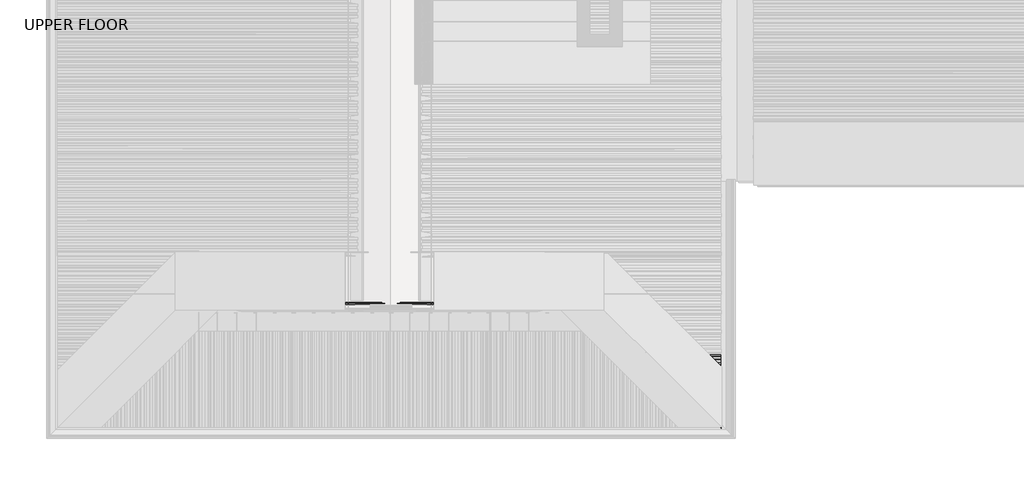
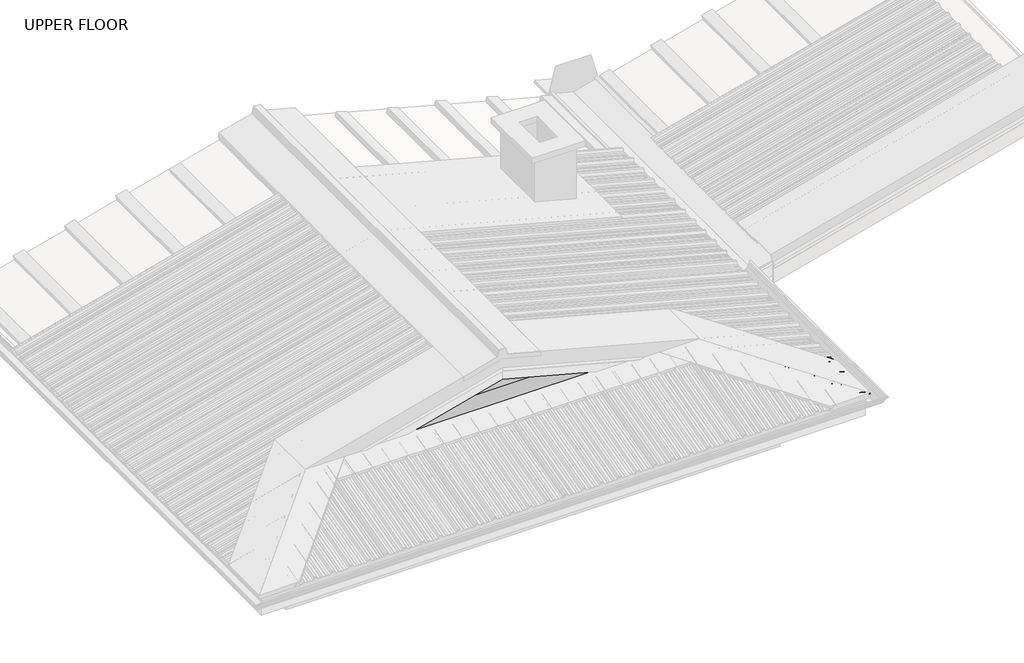
# One storey, part 10 of 21: 3 beams.
"""IFC4 building model written with IfcOpenShell, lengths in millimetres."""

from ifc_helpers import new_model, si_unit, frame, origin, place, context, project, spatial, circle_curve, ellipse_curve, faceted_brep, element, save
from ifc_brep_helpers import plane_surface, cylinder_surface, advanced_brep

model = new_model("IFC4")

# Units and contexts
model_context = context("Model", 3, world=origin())
ifc_project = project(units=[si_unit("LENGTHUNIT", "METRE", prefix="MILLI")], contexts=[model_context])

# Site, building, storey
site = spatial("IfcSite", under=ifc_project)
building = spatial("IfcBuilding", under=site)
storey = spatial("IfcBuildingStorey", under=building, Name="UPPER FLOOR", Elevation=2700.0)

# Beams
placement = place(None, origin())
element("IfcBeam", 1, at=placement, inside=storey, context=model_context, shape_type="AdvancedBrep", body=[
    advanced_brep(
    [(4584.6645529, -4106.1714421, 3273.3606404), (4584.6645529, -4084.2252574, 3273.3606404), (4589.5821147, -4073.3559682, 3291.7132311), (4589.5821147, -4056.6760982, 3291.7132311), (4586.0973215, -4048.9916547, 3278.7078058), (4586.2165568, -4048.184463, 3279.1527977), (4589.8409338, -4056.1767078, 3292.679157), (4589.8409338, -4073.8553585, 3292.679157), (4584.9233719, -4084.7246477, 3274.3265663), (4584.9233719, -4105.9418822, 3274.3265663), (4585.44101, -4110.0684842, 3276.2584179), (4585.44101, -4128.1868745, 3276.2584179), (4584.9233719, -4131.4510385, 3274.3265663), (4584.9233719, -4153.156721, 3274.3265663), (4585.44101, -4156.1981795, 3276.2584179), (4585.44101, -4172.4624649, 3276.2584179), (4584.9233719, -4175.5061068, 3274.3265663), (4584.9233719, -4195.0300038, 3274.3265663), (4590.3585719, -4207.0153597, 3294.6110086), (4590.3585719, -4227.0153597, 3294.6110086), (4584.9233719, -4239.0287846, 3274.3265663), (4584.9233719, -4257.9418822, 3274.3265663), (4585.44101, -4262.0684842, 3276.2584179), (4585.44101, -4280.1868745, 3276.2584179), (4584.9233719, -4283.4510385, 3274.3265663), (4584.9233719, -4305.156721, 3274.3265663), (4585.44101, -4308.1981795, 3276.2584179), (4585.44101, -4324.4624649, 3276.2584179), (4584.9233719, -4327.5061068, 3274.3265663), (4584.9233719, -4347.0300038, 3274.3265663), (4590.3585719, -4359.0153597, 3294.6110086), (4590.3585719, -4379.0153597, 3294.6110086), (4584.9233719, -4391.0287846, 3274.3265663), (4584.9233719, -4409.9418822, 3274.3265663), (4585.44101, -4414.0684842, 3276.2584179), (4585.44101, -4432.1868745, 3276.2584179), (4584.9233719, -4435.4510385, 3274.3265663), (4584.9233719, -4457.156721, 3274.3265663), (4585.44101, -4460.1981795, 3276.2584179), (4585.44101, -4476.4624649, 3276.2584179), (4584.9233719, -4479.5061068, 3274.3265663), (4584.9233719, -4499.0300038, 3274.3265663), (4590.3585719, -4511.0153597, 3294.6110086), (4590.3585719, -4531.0153597, 3294.6110086), (4584.9233719, -4543.0287846, 3274.3265663), (4584.9233719, -4561.9418822, 3274.3265663), (4585.44101, -4566.0684842, 3276.2584179), (4585.44101, -4584.1868745, 3276.2584179), (4584.9233719, -4587.4510385, 3274.3265663), (4584.9233719, -4609.156721, 3274.3265663), (4585.44101, -4612.1981795, 3276.2584179), (4585.44101, -4628.4624649, 3276.2584179), (4584.9233719, -4631.5061068, 3274.3265663), (4584.9233719, -4651.0300038, 3274.3265663), (4590.3585719, -4663.0153597, 3294.6110086), (4590.3585719, -4665.7351431, 3294.6110086), (4590.0997528, -4665.476324, 3293.6450828), (4590.0997528, -4663.5147501, 3293.6450828), (4584.6645529, -4651.5293942, 3273.3606404), (4584.6645529, -4631.2069557, 3273.3606404), (4585.182191, -4628.1633138, 3275.2924921), (4585.182191, -4612.49751, 3275.2924921), (4584.6645529, -4609.4560515, 3273.3606404), (4584.6645529, -4587.1690433, 3273.3606404), (4585.182191, -4583.9048793, 3275.2924921), (4585.182191, -4566.2980441, 3275.2924921), (4584.6645529, -4562.1714421, 3273.3606404), (4584.6645529, -4542.5293942, 3273.3606404), (4590.0997528, -4530.5159693, 3293.6450828), (4590.0997528, -4511.5147501, 3293.6450828), (4584.6645529, -4499.5293942, 3273.3606404), (4584.6645529, -4479.2069557, 3273.3606404), (4585.182191, -4476.1633138, 3275.2924921), (4585.182191, -4460.49751, 3275.2924921), (4584.6645529, -4457.4560515, 3273.3606404), (4584.6645529, -4435.1690433, 3273.3606404), (4585.182191, -4431.9048793, 3275.2924921), (4585.182191, -4414.2980441, 3275.2924921), (4584.6645529, -4410.1714421, 3273.3606404), (4584.6645529, -4390.5293942, 3273.3606404), (4590.0997528, -4378.5159693, 3293.6450828), (4590.0997528, -4359.5147501, 3293.6450828), (4584.6645529, -4347.5293942, 3273.3606404), (4584.6645529, -4327.2069557, 3273.3606404), (4585.182191, -4324.1633138, 3275.2924921), (4585.182191, -4308.49751, 3275.2924921), (4584.6645529, -4305.4560515, 3273.3606404), (4584.6645529, -4283.1690433, 3273.3606404), (4585.182191, -4279.9048793, 3275.2924921), (4585.182191, -4262.2980441, 3275.2924921), (4584.6645529, -4258.1714421, 3273.3606404), (4584.6645529, -4238.5293942, 3273.3606404), (4590.0997528, -4226.5159693, 3293.6450828), (4590.0997528, -4207.5147501, 3293.6450828), (4584.6645529, -4195.5293942, 3273.3606404), (4584.6645529, -4175.2069557, 3273.3606404), (4585.182191, -4172.1633138, 3275.2924921), (4585.182191, -4156.49751, 3275.2924921), (4584.6645529, -4153.4560515, 3273.3606404), (4584.6645529, -4131.1690433, 3273.3606404), (4585.182191, -4127.9048793, 3275.2924921), (4585.182191, -4110.2980441, 3275.2924921), (4052.5283081, -4127.9048793, 3418.0166699), (4034.9214729, -4110.2980441, 3422.7344071), (4055.7924721, -4131.1690433, 3415.0714874), (4078.0794803, -4153.4560515, 3409.0997015), (4081.1209388, -4156.49751, 3410.3552975), (4096.7867426, -4172.1633138, 3406.1576581), (4099.8303845, -4175.2069557, 3403.2715643), (4120.152823, -4195.5293942, 3397.8261833), (4132.1381788, -4207.5147501, 3416.3555167), (4151.1393981, -4226.5159693, 3411.2641553), (4163.152823, -4238.5293942, 3386.3043681), (4182.7948709, -4258.1714421, 3381.0412972), (4186.9214729, -4262.2980441, 3382.0061299), (4204.5283081, -4279.9048793, 3377.2883926), (4207.7924721, -4283.1690433, 3374.3432101), (4230.0794803, -4305.4560515, 3368.3714243), (4233.1209388, -4308.49751, 3369.6270203), (4248.7867426, -4324.1633138, 3365.4293808), (4251.8303845, -4327.2069557, 3362.5432871), (4272.152823, -4347.5293942, 3357.0979061), (4284.1381788, -4359.5147501, 3375.6272394), (4303.1393981, -4378.5159693, 3370.5358781), (4315.152823, -4390.5293942, 3345.5760908), (4334.7948709, -4410.1714421, 3340.3130199), (4338.9214729, -4414.2980441, 3341.2778526), (4356.5283081, -4431.9048793, 3336.5601154), (4359.7924721, -4435.1690433, 3333.6149329), (4382.0794803, -4457.4560515, 3327.643147), (4385.1209388, -4460.49751, 3328.898743), (4400.7867426, -4476.1633138, 3324.7011036), (4403.8303845, -4479.2069557, 3321.8150098), (4424.152823, -4499.5293942, 3316.3696288), (4436.1381788, -4511.5147501, 3334.8989622), (4455.1393981, -4530.5159693, 3329.8076008), (4467.152823, -4542.5293942, 3304.8478136), (4486.7948709, -4562.1714421, 3299.5847427), (4490.9214729, -4566.2980441, 3300.5495754), (4508.5283081, -4583.9048793, 3295.8318381), (4511.7924721, -4587.1690433, 3292.8866556), (4534.0794803, -4609.4560515, 3286.9148698), (4537.1209388, -4612.49751, 3288.1704658), (4552.7867426, -4628.1633138, 3283.9728263), (4555.8303845, -4631.2069557, 3281.0867326), (4576.152823, -4651.5293942, 3275.6413516), (4588.1381788, -4663.5147501, 3294.1706849), (4587.6387885, -4663.0153597, 3295.3397724), (4575.6534326, -4651.0300038, 3276.810439), (4556.1295355, -4631.5061068, 3282.0418515), (4553.0858937, -4628.4624649, 3284.9279452), (4536.8216083, -4612.1981795, 3289.2859473), (4533.7801498, -4609.156721, 3288.0303513), (4512.0744673, -4587.4510385, 3293.8463714), (4508.8103033, -4584.1868745, 3296.7915539), (4490.691913, -4566.0684842, 3301.6463619), (4486.565311, -4561.9418822, 3300.6815292), (4467.6522134, -4543.0287846, 3305.7492785), (4455.6387885, -4531.0153597, 3330.7090658), (4435.6387885, -4511.0153597, 3336.0680496), (4423.6534326, -4499.0300038, 3317.5387163), (4404.1295355, -4479.5061068, 3322.7701287), (4401.0858937, -4476.4624649, 3325.6562225), (4384.8216083, -4460.1981795, 3330.0142246), (4381.7801498, -4457.156721, 3328.7586286), (4360.0744673, -4435.4510385, 3334.5746487), (4356.8103033, -4432.1868745, 3337.5198311), (4338.691913, -4414.0684842, 3342.3746392), (4334.565311, -4409.9418822, 3341.4098065), (4315.6522134, -4391.0287846, 3346.4775557), (4303.6387885, -4379.0153597, 3371.437343), (4283.6387885, -4359.0153597, 3376.7963269), (4271.6534326, -4347.0300038, 3358.2669935), (4252.1295355, -4327.5061068, 3363.498406), (4249.0858937, -4324.4624649, 3366.3844997), (4232.8216083, -4308.1981795, 3370.7425018), (4229.7801498, -4305.156721, 3369.4869058), (4208.0744673, -4283.4510385, 3375.3029259), (4204.8103033, -4280.1868745, 3378.2481084), (4186.691913, -4262.0684842, 3383.1029164), (4182.565311, -4257.9418822, 3382.1380837), (4163.6522134, -4239.0287846, 3387.205833), (4151.6387885, -4227.0153597, 3412.1656203), (4131.6387885, -4207.0153597, 3417.5246041), (4119.6534326, -4195.0300038, 3398.9952708), (4100.1295355, -4175.5061068, 3404.2266832), (4030.7948709, -4106.1714421, 3421.7695744), (4097.0858937, -4172.4624649, 3407.112777), (4080.8216083, -4156.1981795, 3411.4707791), (4077.7801498, -4153.156721, 3410.2151831), (4056.0744673, -4131.4510385, 3416.0312032), (4052.8103033, -4128.1868745, 3418.9763856), (4034.691913, -4110.0684842, 3423.8311937), (4030.565311, -4105.9418822, 3422.866361), (4009.3480765, -4084.7246477, 3428.5515018), (3998.4787873, -4073.8553585, 3451.1341665), (3980.8001366, -4056.1767078, 3455.8711467), (3972.8078917, -4048.184463, 3443.5151541), (3973.6150835, -4048.9916547, 3442.8219268), (3981.299527, -4056.6760982, 3454.7020593), (3997.979397, -4073.3559682, 3450.2327016), (4008.8486861, -4084.2252574, 3427.6500369)],
    [
        (0, 1),
        (1, 2),
        (2, 3),
        (3, 4),
        (4, 5, circle_curve(frame((4586.1569391, -4048.5880588, 3278.9303017), z_axis=(0.9659258262890683, 0.0, -0.25881904510252085), x_axis=(0.0, -1.0, 0.0)), 0.4647024)),
        (5, 6),
        (6, 7),
        (7, 8),
        (8, 9),
        (9, 10),
        (10, 11),
        (11, 12),
        (12, 13),
        (13, 14),
        (14, 15),
        (15, 16),
        (16, 17),
        (17, 18),
        (18, 19),
        (19, 20),
        (20, 21),
        (21, 22),
        (22, 23),
        (23, 24),
        (24, 25),
        (25, 26),
        (26, 27),
        (27, 28),
        (28, 29),
        (29, 30),
        (30, 31),
        (31, 32),
        (32, 33),
        (33, 34),
        (34, 35),
        (35, 36),
        (36, 37),
        (37, 38),
        (38, 39),
        (39, 40),
        (40, 41),
        (41, 42),
        (42, 43),
        (43, 44),
        (44, 45),
        (45, 46),
        (46, 47),
        (47, 48),
        (48, 49),
        (49, 50),
        (50, 51),
        (51, 52),
        (52, 53),
        (53, 54),
        (54, 55),
        (55, 56),
        (56, 57),
        (57, 58),
        (58, 59),
        (59, 60),
        (60, 61),
        (61, 62),
        (62, 63),
        (63, 64),
        (64, 65),
        (65, 66),
        (66, 67),
        (67, 68),
        (68, 69),
        (69, 70),
        (70, 71),
        (71, 72),
        (72, 73),
        (73, 74),
        (74, 75),
        (75, 76),
        (76, 77),
        (77, 78),
        (78, 79),
        (79, 80),
        (80, 81),
        (81, 82),
        (82, 83),
        (83, 84),
        (84, 85),
        (85, 86),
        (86, 87),
        (87, 88),
        (88, 89),
        (89, 90),
        (90, 91),
        (91, 92),
        (92, 93),
        (93, 94),
        (94, 95),
        (95, 96),
        (96, 97),
        (97, 98),
        (98, 99),
        (99, 100),
        (100, 101),
        (101, 0),
        (100, 102),
        (102, 103),
        (103, 101),
        (99, 104),
        (104, 102),
        (98, 105),
        (105, 104),
        (97, 106),
        (106, 105),
        (96, 107),
        (107, 106),
        (95, 108),
        (108, 107),
        (94, 109),
        (109, 108),
        (93, 110),
        (110, 109),
        (92, 111),
        (111, 110),
        (91, 112),
        (112, 111),
        (90, 113),
        (113, 112),
        (89, 114),
        (114, 113),
        (88, 115),
        (115, 114),
        (87, 116),
        (116, 115),
        (86, 117),
        (117, 116),
        (85, 118),
        (118, 117),
        (84, 119),
        (119, 118),
        (83, 120),
        (120, 119),
        (82, 121),
        (121, 120),
        (81, 122),
        (122, 121),
        (80, 123),
        (123, 122),
        (79, 124),
        (124, 123),
        (78, 125),
        (125, 124),
        (77, 126),
        (126, 125),
        (76, 127),
        (127, 126),
        (75, 128),
        (128, 127),
        (74, 129),
        (129, 128),
        (73, 130),
        (130, 129),
        (72, 131),
        (131, 130),
        (71, 132),
        (132, 131),
        (70, 133),
        (133, 132),
        (69, 134),
        (134, 133),
        (68, 135),
        (135, 134),
        (67, 136),
        (136, 135),
        (66, 137),
        (137, 136),
        (65, 138),
        (138, 137),
        (64, 139),
        (139, 138),
        (63, 140),
        (140, 139),
        (62, 141),
        (141, 140),
        (61, 142),
        (142, 141),
        (60, 143),
        (143, 142),
        (59, 144),
        (144, 143),
        (58, 145),
        (145, 144),
        (57, 146),
        (146, 145),
        (56, 146),
        (54, 147),
        (147, 55),
        (53, 148),
        (148, 147),
        (52, 149),
        (149, 148),
        (51, 150),
        (150, 149),
        (50, 151),
        (151, 150),
        (49, 152),
        (152, 151),
        (48, 153),
        (153, 152),
        (47, 154),
        (154, 153),
        (46, 155),
        (155, 154),
        (45, 156),
        (156, 155),
        (44, 157),
        (157, 156),
        (43, 158),
        (158, 157),
        (42, 159),
        (159, 158),
        (41, 160),
        (160, 159),
        (40, 161),
        (161, 160),
        (39, 162),
        (162, 161),
        (38, 163),
        (163, 162),
        (37, 164),
        (164, 163),
        (36, 165),
        (165, 164),
        (35, 166),
        (166, 165),
        (34, 167),
        (167, 166),
        (33, 168),
        (168, 167),
        (32, 169),
        (169, 168),
        (31, 170),
        (170, 169),
        (30, 171),
        (171, 170),
        (29, 172),
        (172, 171),
        (28, 173),
        (173, 172),
        (27, 174),
        (174, 173),
        (26, 175),
        (175, 174),
        (25, 176),
        (176, 175),
        (24, 177),
        (177, 176),
        (23, 178),
        (178, 177),
        (22, 179),
        (179, 178),
        (21, 180),
        (180, 179),
        (20, 181),
        (181, 180),
        (19, 182),
        (182, 181),
        (18, 183),
        (183, 182),
        (17, 184),
        (184, 183),
        (16, 185),
        (185, 184),
        (103, 186),
        (186, 0),
        (15, 187),
        (187, 185),
        (14, 188),
        (188, 187),
        (13, 189),
        (189, 188),
        (12, 190),
        (190, 189),
        (11, 191),
        (191, 190),
        (10, 192),
        (192, 191),
        (9, 193),
        (193, 192),
        (8, 194),
        (194, 193),
        (7, 195),
        (195, 194),
        (6, 196),
        (196, 195),
        (5, 197),
        (197, 196),
        (4, 198),
        (198, 197, ellipse_curve(frame((3973.2114876, -4048.5880588, 3443.1685405), z_axis=(0.7071067811865475, 0.7071067811865476, 0.0), x_axis=(-0.661224832946645, 0.6612248329466449, 0.35434932000691455)), 0.6803715, 0.4647024)),
        (3, 199),
        (199, 198),
        (2, 200),
        (200, 199),
        (1, 201),
        (201, 200),
        (186, 201),
    ],
    [
        plane_surface(frame((4584.6645529, -4106.1714421, 3273.3606404), z_axis=(0.9659258262890684, 0.0, -0.25881904510252085), x_axis=(-0.11288039666962586, 0.8998805887467901, -0.42127537554957867))),
        plane_surface(frame((3488.7585312, -4110.2980441, 3569.0783263), z_axis=(-0.25881904510252085, 0.0, -0.9659258262890683), x_axis=(0.9659258262890683, 0.0, -0.25881904510252085))),
        plane_surface(frame((3488.7585312, -4127.9048793, 3569.0783263), z_axis=(-0.22068801492463014, 0.522444957349295, -0.8236188843202418), x_axis=(0.9659258262890683, 0.0, -0.25881904510252085))),
        plane_surface(frame((3488.2408931, -4131.1690433, 3567.1464746), z_axis=(-0.25881904510252085, 0.0, -0.9659258262890683), x_axis=(0.9659258262890683, 0.0, -0.25881904510252085))),
        plane_surface(frame((3488.2408931, -4153.4560515, 3567.1464746), z_axis=(-0.21625317242009615, -0.5494325148836763, -0.8070678267697475), x_axis=(0.9659258262890683, 0.0, -0.25881904510252085))),
        plane_surface(frame((3488.7585312, -4156.49751, 3569.0783263), z_axis=(-0.25881904510252085, 0.0, -0.9659258262890683), x_axis=(0.9659258262890683, 0.0, -0.25881904510252085))),
        plane_surface(frame((3488.7585312, -4172.1633138, 3569.0783263), z_axis=(-0.21630000128988583, 0.5491572662555962, -0.807242594491071), x_axis=(0.9659258262890683, 0.0, -0.25881904510252085))),
        plane_surface(frame((3488.2408931, -4175.2069557, 3567.1464746), z_axis=(-0.25881904510252085, 0.0, -0.9659258262890683), x_axis=(0.9659258262890683, 0.0, -0.25881904510252085))),
        plane_surface(frame((3488.2408931, -4195.5293942, 3567.1464746), z_axis=(-0.12829202185299518, -0.8685039140295312, -0.47879234376110846), x_axis=(0.9659258262890683, 0.0, -0.25881904510252085))),
        plane_surface(frame((3493.676093, -4207.5147501, 3587.430917), z_axis=(-0.25881904510252085, 0.0, -0.9659258262890683), x_axis=(0.9659258262890683, 0.0, -0.25881904510252085))),
        plane_surface(frame((3493.676093, -4226.5159693, 3587.430917), z_axis=(-0.12851845745027907, 0.868004008186007, -0.4796374129148262), x_axis=(0.9659258262890683, 0.0, -0.25881904510252085))),
        plane_surface(frame((3488.2408931, -4238.5293942, 3567.1464746), z_axis=(-0.25881904510252085, 0.0, -0.9659258262890683), x_axis=(0.9659258262890683, 0.0, -0.25881904510252085))),
        plane_surface(frame((3488.2408931, -4258.1714421, 3567.1464746), z_axis=(-0.23290623468573923, -0.4361363616997907, -0.8692179012467363), x_axis=(0.9659258262890683, 0.0, -0.25881904510252085))),
        plane_surface(frame((3488.7585312, -4262.2980441, 3569.0783263), z_axis=(-0.25881904510252085, 0.0, -0.9659258262890683), x_axis=(0.9659258262890683, 0.0, -0.25881904510252085))),
        plane_surface(frame((3488.7585312, -4279.9048793, 3569.0783263), z_axis=(-0.22068801492462953, 0.5224449573492989, -0.8236188843202394), x_axis=(0.9659258262890683, 0.0, -0.25881904510252085))),
        plane_surface(frame((3488.2408931, -4283.1690433, 3567.1464746), z_axis=(-0.25881904510252085, 0.0, -0.9659258262890683), x_axis=(0.9659258262890683, 0.0, -0.25881904510252085))),
        plane_surface(frame((3488.2408931, -4305.4560515, 3567.1464746), z_axis=(-0.2162531724200959, -0.5494325148836782, -0.8070678267697465), x_axis=(0.9659258262890683, 0.0, -0.25881904510252085))),
        plane_surface(frame((3488.7585312, -4308.49751, 3569.0783263), z_axis=(-0.25881904510252085, 0.0, -0.9659258262890683), x_axis=(0.9659258262890683, 0.0, -0.25881904510252085))),
        plane_surface(frame((3488.7585312, -4324.1633138, 3569.0783263), z_axis=(-0.21630000128988666, 0.5491572662555915, -0.8072425944910742), x_axis=(0.9659258262890683, 0.0, -0.25881904510252085))),
        plane_surface(frame((3488.2408931, -4327.2069557, 3567.1464746), z_axis=(-0.25881904510252085, 0.0, -0.9659258262890683), x_axis=(0.9659258262890683, 0.0, -0.25881904510252085))),
        plane_surface(frame((3488.2408931, -4347.5293942, 3567.1464746), z_axis=(-0.12829202185299543, -0.8685039140295306, -0.47879234376110946), x_axis=(0.9659258262890683, 0.0, -0.25881904510252085))),
        plane_surface(frame((3493.676093, -4359.5147501, 3587.430917), z_axis=(-0.25881904510252085, 0.0, -0.9659258262890683), x_axis=(0.9659258262890683, 0.0, -0.25881904510252085))),
        plane_surface(frame((3493.676093, -4378.5159693, 3587.430917), z_axis=(-0.1285184574502788, 0.8680040081860075, -0.47963741291482515), x_axis=(0.9659258262890683, 0.0, -0.25881904510252085))),
        plane_surface(frame((3488.2408931, -4390.5293942, 3567.1464746), z_axis=(-0.25881904510252085, 0.0, -0.9659258262890683), x_axis=(0.9659258262890683, 0.0, -0.25881904510252085))),
        plane_surface(frame((3488.2408931, -4410.1714421, 3567.1464746), z_axis=(-0.2329062346857396, -0.4361363616997879, -0.8692179012467376), x_axis=(0.9659258262890683, 0.0, -0.25881904510252085))),
        plane_surface(frame((3488.7585312, -4414.2980441, 3569.0783263), z_axis=(-0.25881904510252085, 0.0, -0.9659258262890683), x_axis=(0.9659258262890683, 0.0, -0.25881904510252085))),
        plane_surface(frame((3488.7585312, -4431.9048793, 3569.0783263), z_axis=(-0.22068801492462908, 0.5224449573493013, -0.8236188843202378), x_axis=(0.9659258262890683, 0.0, -0.25881904510252085))),
        plane_surface(frame((3488.2408931, -4435.1690433, 3567.1464746), z_axis=(-0.25881904510252085, 0.0, -0.9659258262890683), x_axis=(0.9659258262890683, 0.0, -0.25881904510252085))),
        plane_surface(frame((3488.2408931, -4457.4560515, 3567.1464746), z_axis=(-0.2162531724200988, -0.549432514883661, -0.8070678267697574), x_axis=(0.9659258262890683, 0.0, -0.25881904510252085))),
        plane_surface(frame((3488.7585312, -4460.49751, 3569.0783263), z_axis=(-0.25881904510252085, 0.0, -0.9659258262890683), x_axis=(0.9659258262890683, 0.0, -0.25881904510252085))),
        plane_surface(frame((3488.7585312, -4476.1633138, 3569.0783263), z_axis=(-0.21630000128988666, 0.5491572662555915, -0.8072425944910742), x_axis=(0.9659258262890683, 0.0, -0.25881904510252085))),
        plane_surface(frame((3488.2408931, -4479.2069557, 3567.1464746), z_axis=(-0.25881904510252085, 0.0, -0.9659258262890683), x_axis=(0.9659258262890683, 0.0, -0.25881904510252085))),
        plane_surface(frame((3488.2408931, -4499.5293942, 3567.1464746), z_axis=(-0.12829202185299515, -0.8685039140295312, -0.47879234376110846), x_axis=(0.9659258262890683, 0.0, -0.25881904510252085))),
        plane_surface(frame((3493.676093, -4511.5147501, 3587.430917), z_axis=(-0.25881904510252085, 0.0, -0.9659258262890683), x_axis=(0.9659258262890683, 0.0, -0.25881904510252085))),
        plane_surface(frame((3493.676093, -4530.5159693, 3587.430917), z_axis=(-0.1285184574502788, 0.8680040081860075, -0.47963741291482515), x_axis=(0.9659258262890683, 0.0, -0.25881904510252085))),
        plane_surface(frame((3488.2408931, -4542.5293942, 3567.1464746), z_axis=(-0.25881904510252085, 0.0, -0.9659258262890683), x_axis=(0.9659258262890683, 0.0, -0.25881904510252085))),
        plane_surface(frame((3488.2408931, -4562.1714421, 3567.1464746), z_axis=(-0.23290623468573923, -0.4361363616997907, -0.8692179012467363), x_axis=(0.9659258262890683, 0.0, -0.25881904510252085))),
        plane_surface(frame((3488.7585312, -4566.2980441, 3569.0783263), z_axis=(-0.25881904510252085, 0.0, -0.9659258262890683), x_axis=(0.9659258262890683, 0.0, -0.25881904510252085))),
        plane_surface(frame((3488.7585312, -4583.9048793, 3569.0783263), z_axis=(-0.22068801492462964, 0.5224449573492981, -0.8236188843202399), x_axis=(0.9659258262890683, 0.0, -0.25881904510252085))),
        plane_surface(frame((3488.2408931, -4587.1690433, 3567.1464746), z_axis=(-0.25881904510252085, 0.0, -0.9659258262890683), x_axis=(0.9659258262890683, 0.0, -0.25881904510252085))),
        plane_surface(frame((3488.2408931, -4609.4560515, 3567.1464746), z_axis=(-0.2162531724200959, -0.5494325148836782, -0.8070678267697465), x_axis=(0.9659258262890683, 0.0, -0.25881904510252085))),
        plane_surface(frame((3488.7585312, -4612.49751, 3569.0783263), z_axis=(-0.25881904510252085, 0.0, -0.9659258262890683), x_axis=(0.9659258262890683, 0.0, -0.25881904510252085))),
        plane_surface(frame((3488.7585312, -4628.1633138, 3569.0783263), z_axis=(-0.2163000012898869, 0.5491572662555896, -0.8072425944910752), x_axis=(0.9659258262890683, 0.0, -0.25881904510252085))),
        plane_surface(frame((3488.2408931, -4631.2069557, 3567.1464746), z_axis=(-0.25881904510252085, 0.0, -0.9659258262890683), x_axis=(0.9659258262890683, 0.0, -0.25881904510252085))),
        plane_surface(frame((3488.2408931, -4651.5293942, 3567.1464746), z_axis=(-0.12829202185299518, -0.8685039140295311, -0.47879234376110863), x_axis=(0.9659258262890683, 0.0, -0.25881904510252085))),
        plane_surface(frame((3493.676093, -4663.5147501, 3587.430917), z_axis=(-0.25881904510252085, 0.0, -0.9659258262890683), x_axis=(0.9659258262890683, 0.0, -0.25881904510252085))),
        plane_surface(frame((3493.9349121, -4683.0153597, 3588.3968428), z_axis=(0.25881904510252085, 0.0, 0.9659258262890683), x_axis=(0.9659258262890683, 0.0, -0.25881904510252085))),
        plane_surface(frame((3493.9349121, -4663.0153597, 3588.3968428), z_axis=(0.12829202185299524, 0.8685039140295311, 0.4787923437611088), x_axis=(0.9659258262890683, 0.0, -0.25881904510252085))),
        plane_surface(frame((3488.4997121, -4651.0300038, 3568.1124005), z_axis=(0.25881904510252085, 0.0, 0.9659258262890683), x_axis=(0.9659258262890683, 0.0, -0.25881904510252085))),
        plane_surface(frame((3488.4997121, -4631.5061068, 3568.1124005), z_axis=(0.2163000012898872, -0.5491572662555881, 0.8072425944910762), x_axis=(0.9659258262890683, 0.0, -0.25881904510252085))),
        plane_surface(frame((3489.0173502, -4628.4624649, 3570.0442521), z_axis=(0.25881904510252085, 0.0, 0.9659258262890683), x_axis=(0.9659258262890683, 0.0, -0.25881904510252085))),
        plane_surface(frame((3489.0173502, -4612.1981795, 3570.0442521), z_axis=(0.21625317242009645, 0.5494325148836748, 0.8070678267697486), x_axis=(0.9659258262890683, 0.0, -0.25881904510252085))),
        plane_surface(frame((3488.4997121, -4609.156721, 3568.1124005), z_axis=(0.25881904510252085, 0.0, 0.9659258262890683), x_axis=(0.9659258262890683, 0.0, -0.25881904510252085))),
        plane_surface(frame((3488.4997121, -4587.4510385, 3568.1124005), z_axis=(0.22068801492462892, -0.5224449573493026, 0.8236188843202372), x_axis=(0.9659258262890683, 0.0, -0.25881904510252085))),
        plane_surface(frame((3489.0173502, -4584.1868745, 3570.0442521), z_axis=(0.25881904510252085, 0.0, 0.9659258262890683), x_axis=(0.9659258262890683, 0.0, -0.25881904510252085))),
        plane_surface(frame((3489.0173502, -4566.0684842, 3570.0442521), z_axis=(0.23290623468574032, 0.4361363616997818, 0.8692179012467404), x_axis=(0.9659258262890683, 0.0, -0.25881904510252085))),
        plane_surface(frame((3488.4997121, -4561.9418822, 3568.1124005), z_axis=(0.25881904510252085, 0.0, 0.9659258262890683), x_axis=(0.9659258262890683, 0.0, -0.25881904510252085))),
        plane_surface(frame((3488.4997121, -4543.0287846, 3568.1124005), z_axis=(0.12851845745027932, -0.8680040081860063, 0.4796374129148272), x_axis=(0.9659258262890683, 0.0, -0.25881904510252085))),
        plane_surface(frame((3493.9349121, -4531.0153597, 3588.3968428), z_axis=(0.25881904510252085, 0.0, 0.9659258262890683), x_axis=(0.9659258262890683, 0.0, -0.25881904510252085))),
        plane_surface(frame((3493.9349121, -4511.0153597, 3588.3968428), z_axis=(0.12829202185299515, 0.8685039140295312, 0.47879234376110846), x_axis=(0.9659258262890683, 0.0, -0.25881904510252085))),
        plane_surface(frame((3488.4997121, -4499.0300038, 3568.1124005), z_axis=(0.25881904510252085, 0.0, 0.9659258262890683), x_axis=(0.9659258262890683, 0.0, -0.25881904510252085))),
        plane_surface(frame((3488.4997121, -4479.5061068, 3568.1124005), z_axis=(0.21630000128988666, -0.5491572662555915, 0.8072425944910742), x_axis=(0.9659258262890683, 0.0, -0.25881904510252085))),
        plane_surface(frame((3489.0173502, -4476.4624649, 3570.0442521), z_axis=(0.25881904510252085, 0.0, 0.9659258262890683), x_axis=(0.9659258262890683, 0.0, -0.25881904510252085))),
        plane_surface(frame((3489.0173502, -4460.1981795, 3570.0442521), z_axis=(0.2162531724200988, 0.549432514883661, 0.8070678267697574), x_axis=(0.9659258262890683, 0.0, -0.25881904510252085))),
        plane_surface(frame((3488.4997121, -4457.156721, 3568.1124005), z_axis=(0.25881904510252085, 0.0, 0.9659258262890683), x_axis=(0.9659258262890683, 0.0, -0.25881904510252085))),
        plane_surface(frame((3488.4997121, -4435.4510385, 3568.1124005), z_axis=(0.22068801492463014, -0.522444957349295, 0.8236188843202418), x_axis=(0.9659258262890683, 0.0, -0.25881904510252085))),
        plane_surface(frame((3489.0173502, -4432.1868745, 3570.0442521), z_axis=(0.25881904510252085, 0.0, 0.9659258262890683), x_axis=(0.9659258262890683, 0.0, -0.25881904510252085))),
        plane_surface(frame((3489.0173502, -4414.0684842, 3570.0442521), z_axis=(0.23290623468573995, 0.43613636169978487, 0.8692179012467389), x_axis=(0.9659258262890683, 0.0, -0.25881904510252085))),
        plane_surface(frame((3488.4997121, -4409.9418822, 3568.1124005), z_axis=(0.25881904510252085, 0.0, 0.9659258262890683), x_axis=(0.9659258262890683, 0.0, -0.25881904510252085))),
        plane_surface(frame((3488.4997121, -4391.0287846, 3568.1124005), z_axis=(0.12851845745027987, -0.8680040081860052, 0.47963741291482925), x_axis=(0.9659258262890683, 0.0, -0.25881904510252085))),
        plane_surface(frame((3493.9349121, -4379.0153597, 3588.3968428), z_axis=(0.25881904510252085, 0.0, 0.9659258262890683), x_axis=(0.9659258262890683, 0.0, -0.25881904510252085))),
        plane_surface(frame((3493.9349121, -4359.0153597, 3588.3968428), z_axis=(0.12829202185299524, 0.8685039140295311, 0.4787923437611088), x_axis=(0.9659258262890683, 0.0, -0.25881904510252085))),
        plane_surface(frame((3488.4997121, -4347.0300038, 3568.1124005), z_axis=(0.25881904510252085, 0.0, 0.9659258262890683), x_axis=(0.9659258262890683, 0.0, -0.25881904510252085))),
        plane_surface(frame((3488.4997121, -4327.5061068, 3568.1124005), z_axis=(0.2163000012898872, -0.5491572662555881, 0.8072425944910762), x_axis=(0.9659258262890683, 0.0, -0.25881904510252085))),
        plane_surface(frame((3489.0173502, -4324.4624649, 3570.0442521), z_axis=(0.25881904510252085, 0.0, 0.9659258262890683), x_axis=(0.9659258262890683, 0.0, -0.25881904510252085))),
        plane_surface(frame((3489.0173502, -4308.1981795, 3570.0442521), z_axis=(0.21625317242009717, 0.5494325148836704, 0.8070678267697513), x_axis=(0.9659258262890683, 0.0, -0.25881904510252085))),
        plane_surface(frame((3488.4997121, -4305.156721, 3568.1124005), z_axis=(0.25881904510252085, 0.0, 0.9659258262890683), x_axis=(0.9659258262890683, 0.0, -0.25881904510252085))),
        plane_surface(frame((3488.4997121, -4283.4510385, 3568.1124005), z_axis=(0.22068801492462828, -0.5224449573493066, 0.8236188843202348), x_axis=(0.9659258262890683, 0.0, -0.25881904510252085))),
        plane_surface(frame((3489.0173502, -4280.1868745, 3570.0442521), z_axis=(0.25881904510252085, 0.0, 0.9659258262890683), x_axis=(0.9659258262890683, 0.0, -0.25881904510252085))),
        plane_surface(frame((3489.0173502, -4262.0684842, 3570.0442521), z_axis=(0.2329062346857396, 0.4361363616997878, 0.8692179012467376), x_axis=(0.9659258262890683, 0.0, -0.25881904510252085))),
        plane_surface(frame((3488.4997121, -4257.9418822, 3568.1124005), z_axis=(0.25881904510252085, 0.0, 0.9659258262890683), x_axis=(0.9659258262890683, 0.0, -0.25881904510252085))),
        plane_surface(frame((3488.4997121, -4239.0287846, 3568.1124005), z_axis=(0.12851845745027912, -0.8680040081860066, 0.4796374129148264), x_axis=(0.9659258262890683, 0.0, -0.25881904510252085))),
        plane_surface(frame((3493.9349121, -4227.0153597, 3588.3968428), z_axis=(0.25881904510252085, 0.0, 0.9659258262890683), x_axis=(0.9659258262890683, 0.0, -0.25881904510252085))),
        plane_surface(frame((3493.9349121, -4207.0153597, 3588.3968428), z_axis=(0.12829202185299524, 0.8685039140295311, 0.4787923437611088), x_axis=(0.9659258262890683, 0.0, -0.25881904510252085))),
        plane_surface(frame((3488.4997121, -4195.0300038, 3568.1124005), z_axis=(0.25881904510252085, 0.0, 0.9659258262890683), x_axis=(0.9659258262890683, 0.0, -0.25881904510252085))),
        plane_surface(frame((3488.2408931, -4106.1714421, 3567.1464746), z_axis=(-0.23290623468573923, -0.4361363616997907, -0.8692179012467363), x_axis=(0.9659258262890683, 0.0, -0.25881904510252085))),
        plane_surface(frame((3488.4997121, -4175.5061068, 3568.1124005), z_axis=(0.21630000128988636, -0.5491572662555929, 0.807242594491073), x_axis=(0.9659258262890683, 0.0, -0.25881904510252085))),
        plane_surface(frame((3489.0173502, -4172.4624649, 3570.0442521), z_axis=(0.25881904510252085, 0.0, 0.9659258262890683), x_axis=(0.9659258262890683, 0.0, -0.25881904510252085))),
        plane_surface(frame((3489.0173502, -4156.1981795, 3570.0442521), z_axis=(0.21625317242009695, 0.5494325148836715, 0.8070678267697505), x_axis=(0.9659258262890683, 0.0, -0.25881904510252085))),
        plane_surface(frame((3488.4997121, -4153.156721, 3568.1124005), z_axis=(0.25881904510252085, 0.0, 0.9659258262890683), x_axis=(0.9659258262890683, 0.0, -0.25881904510252085))),
        plane_surface(frame((3488.4997121, -4131.4510385, 3568.1124005), z_axis=(0.22068801492462842, -0.5224449573493057, 0.8236188843202353), x_axis=(0.9659258262890683, 0.0, -0.25881904510252085))),
        plane_surface(frame((3489.0173502, -4128.1868745, 3570.0442521), z_axis=(0.25881904510252085, 0.0, 0.9659258262890683), x_axis=(0.9659258262890683, 0.0, -0.25881904510252085))),
        plane_surface(frame((3489.0173502, -4110.0684842, 3570.0442521), z_axis=(0.23290623468573962, 0.43613636169978776, 0.8692179012467377), x_axis=(0.9659258262890683, 0.0, -0.25881904510252085))),
        plane_surface(frame((3488.4997121, -4105.9418822, 3568.1124005), z_axis=(0.25881904510252085, 0.0, 0.9659258262890683), x_axis=(0.9659258262890683, 0.0, -0.25881904510252085))),
        plane_surface(frame((3488.4997121, -4084.7246477, 3568.1124005), z_axis=(0.12851845745027948, -0.8680040081860061, 0.47963741291482775), x_axis=(0.9659258262890683, 0.0, -0.25881904510252085))),
        plane_surface(frame((3493.417274, -4073.8553585, 3586.4649912), z_axis=(0.25881904510252085, 0.0, 0.9659258262890683), x_axis=(0.9659258262890683, 0.0, -0.25881904510252085))),
        plane_surface(frame((3493.417274, -4056.1767078, 3586.4649912), z_axis=(0.12829202185299535, 0.8685039140295309, 0.4787923437611092), x_axis=(0.9659258262890683, 0.0, -0.25881904510252085))),
        cylinder_surface(frame((4586.1569391, -4048.5880588, 3278.9303017), z_axis=(-0.9659258262890683, 0.0, 0.25881904510252085), x_axis=(0.0, -1.0, 0.0)), 0.4647024),
        plane_surface(frame((3489.6736617, -4048.9916547, 3572.49364), z_axis=(-0.12829202185300917, -0.8685039140295004, -0.4787923437611608), x_axis=(0.9659258262890683, 0.0, -0.25881904510252085))),
        plane_surface(frame((3493.1584549, -4056.6760982, 3585.4990653), z_axis=(-0.25881904510252085, 0.0, -0.9659258262890683), x_axis=(0.9659258262890683, 0.0, -0.25881904510252085))),
        plane_surface(frame((3493.1584549, -4073.3559682, 3585.4990653), z_axis=(-0.12851845745027868, 0.8680040081860078, -0.47963741291482476), x_axis=(0.9659258262890683, 0.0, -0.25881904510252085))),
        plane_surface(frame((3488.2408931, -4084.2252574, 3567.1464746), z_axis=(-0.25881904510252085, 0.0, -0.9659258262890683), x_axis=(0.9659258262890683, 0.0, -0.25881904510252085))),
        plane_surface(frame((2400.5705204, -2475.9470916, 4276.036793), z_axis=(-0.7071067811865475, -0.7071067811865476, 0.0), x_axis=(0.0, 0.0, -1.0))),
    ],
    [
        (0, [[1, 2, 3, 4, 5, 6, 7, 8, 9, 10, 11, 12, 13, 14, 15, 16, 17, 18, 19, 20, 21, 22, 23, 24, 25, 26, 27, 28, 29, 30, 31, 32, 33, 34, 35, 36, 37, 38, 39, 40, 41, 42, 43, 44, 45, 46, 47, 48, 49, 50, 51, 52, 53, 54, 55, 56, 57, 58, 59, 60, 61, 62, 63, 64, 65, 66, 67, 68, 69, 70, 71, 72, 73, 74, 75, 76, 77, 78, 79, 80, 81, 82, 83, 84, 85, 86, 87, 88, 89, 90, 91, 92, 93, 94, 95, 96, 97, 98, 99, 100, 101, 102]]),
        (1, [[-101, 103, 104, 105]]),
        (2, [[-100, 106, 107, -103]]),
        (3, [[-99, 108, 109, -106]]),
        (4, [[-98, 110, 111, -108]]),
        (5, [[-97, 112, 113, -110]]),
        (6, [[-96, 114, 115, -112]]),
        (7, [[-95, 116, 117, -114]]),
        (8, [[-94, 118, 119, -116]]),
        (9, [[-93, 120, 121, -118]]),
        (10, [[-92, 122, 123, -120]]),
        (11, [[-91, 124, 125, -122]]),
        (12, [[-90, 126, 127, -124]]),
        (13, [[-89, 128, 129, -126]]),
        (14, [[-88, 130, 131, -128]]),
        (15, [[-87, 132, 133, -130]]),
        (16, [[-86, 134, 135, -132]]),
        (17, [[-85, 136, 137, -134]]),
        (18, [[-84, 138, 139, -136]]),
        (19, [[-83, 140, 141, -138]]),
        (20, [[-82, 142, 143, -140]]),
        (21, [[-81, 144, 145, -142]]),
        (22, [[-80, 146, 147, -144]]),
        (23, [[-79, 148, 149, -146]]),
        (24, [[-78, 150, 151, -148]]),
        (25, [[-77, 152, 153, -150]]),
        (26, [[-76, 154, 155, -152]]),
        (27, [[-75, 156, 157, -154]]),
        (28, [[-74, 158, 159, -156]]),
        (29, [[-73, 160, 161, -158]]),
        (30, [[-72, 162, 163, -160]]),
        (31, [[-71, 164, 165, -162]]),
        (32, [[-70, 166, 167, -164]]),
        (33, [[-69, 168, 169, -166]]),
        (34, [[-68, 170, 171, -168]]),
        (35, [[-67, 172, 173, -170]]),
        (36, [[-66, 174, 175, -172]]),
        (37, [[-65, 176, 177, -174]]),
        (38, [[-64, 178, 179, -176]]),
        (39, [[-63, 180, 181, -178]]),
        (40, [[-62, 182, 183, -180]]),
        (41, [[-61, 184, 185, -182]]),
        (42, [[-60, 186, 187, -184]]),
        (43, [[-59, 188, 189, -186]]),
        (44, [[-58, 190, 191, -188]]),
        (45, [[-57, 192, -190]]),
        (46, [[-55, 193, 194]]),
        (47, [[-54, 195, 196, -193]]),
        (48, [[-53, 197, 198, -195]]),
        (49, [[-52, 199, 200, -197]]),
        (50, [[-51, 201, 202, -199]]),
        (51, [[-50, 203, 204, -201]]),
        (52, [[-49, 205, 206, -203]]),
        (53, [[-48, 207, 208, -205]]),
        (54, [[-47, 209, 210, -207]]),
        (55, [[-46, 211, 212, -209]]),
        (56, [[-45, 213, 214, -211]]),
        (57, [[-44, 215, 216, -213]]),
        (58, [[-43, 217, 218, -215]]),
        (59, [[-42, 219, 220, -217]]),
        (60, [[-41, 221, 222, -219]]),
        (61, [[-40, 223, 224, -221]]),
        (62, [[-39, 225, 226, -223]]),
        (63, [[-38, 227, 228, -225]]),
        (64, [[-37, 229, 230, -227]]),
        (65, [[-36, 231, 232, -229]]),
        (66, [[-35, 233, 234, -231]]),
        (67, [[-34, 235, 236, -233]]),
        (68, [[-33, 237, 238, -235]]),
        (69, [[-32, 239, 240, -237]]),
        (70, [[-31, 241, 242, -239]]),
        (71, [[-30, 243, 244, -241]]),
        (72, [[-29, 245, 246, -243]]),
        (73, [[-28, 247, 248, -245]]),
        (74, [[-27, 249, 250, -247]]),
        (75, [[-26, 251, 252, -249]]),
        (76, [[-25, 253, 254, -251]]),
        (77, [[-24, 255, 256, -253]]),
        (78, [[-23, 257, 258, -255]]),
        (79, [[-22, 259, 260, -257]]),
        (80, [[-21, 261, 262, -259]]),
        (81, [[-20, 263, 264, -261]]),
        (82, [[-19, 265, 266, -263]]),
        (83, [[-18, 267, 268, -265]]),
        (84, [[-17, 269, 270, -267]]),
        (85, [[-102, -105, 271, 272]]),
        (86, [[-16, 273, 274, -269]]),
        (87, [[-15, 275, 276, -273]]),
        (88, [[-14, 277, 278, -275]]),
        (89, [[-13, 279, 280, -277]]),
        (90, [[-12, 281, 282, -279]]),
        (91, [[-11, 283, 284, -281]]),
        (92, [[-10, 285, 286, -283]]),
        (93, [[-9, 287, 288, -285]]),
        (94, [[-8, 289, 290, -287]]),
        (95, [[-7, 291, 292, -289]]),
        (96, [[-6, 293, 294, -291]]),
        (97, [[-5, 295, 296, -293]]),
        (98, [[-4, 297, 298, -295]]),
        (99, [[-3, 299, 300, -297]]),
        (100, [[-2, 301, 302, -299]]),
        (101, [[-1, -272, 303, -301]]),
        (102, [[-56, -194, -196, -198, -200, -202, -204, -206, -208, -210, -212, -214, -216, -218, -220, -222, -224, -226, -228, -230, -232, -234, -236, -238, -240, -242, -244, -246, -248, -250, -252, -254, -256, -258, -260, -262, -264, -266, -268, -270, -274, -276, -278, -280, -282, -284, -286, -288, -290, -292, -294, -296, -298, -300, -302, -303, -271, -104, -107, -109, -111, -113, -115, -117, -119, -121, -123, -125, -127, -129, -131, -133, -135, -137, -139, -141, -143, -145, -147, -149, -151, -153, -155, -157, -159, -161, -163, -165, -167, -169, -171, -173, -175, -177, -179, -181, -183, -185, -187, -189, -191, -192]]),
    ],
),
])
element("IfcBeam", 2, at=placement, inside=storey, context=model_context, shape_type="Brep", body=[
    faceted_brep([(665.7639863, -3695.5244839, 3530.7860445), (665.7639863, -3714.3828607, 3533.101562), (665.7639863, -3703.699233, 3618.9759087), (665.7639863, -3684.6961301, 3618.9759087), (3225.7639863, -3714.3828607, 3533.101562), (3225.7639863, -3695.5244839, 3530.7860445), (3225.7639863, -3683.0171905, 3632.6497746), (3225.7639863, -3683.0171905, 3653.3998847), (3225.7639863, -3699.4165461, 3653.3998847), (3008.0926282, -3692.1603495, 3711.7247493), (1011.9073718, -3692.1603495, 3711.7247493), (716.7955486, -3683.0171905, 3632.6497746), (1007.7176269, -3683.0171905, 3710.6021105), (3012.2823731, -3683.0171905, 3710.6021105)], [[[0, 1, 2, 3]], [[4, 5, 6, 7, 8]], [[1, 4, 8, 9, 10, 2]], [[1, 0, 5, 4]], [[6, 5, 0, 3, 11]], [[6, 11, 12, 13, 7]], [[12, 10, 9, 13]], [[3, 2, 10, 12, 11]], [[8, 7, 13, 9]]]),
])
element("IfcBeam", 3, at=placement, inside=storey, context=model_context, shape_type="Brep", body=[
    faceted_brep([(1218.6337852, -3695.5244839, 3684.2860445), (1218.6337852, -3714.3828607, 3686.601562), (1218.6337852, -3704.3659442, 3767.1169248), (1218.6337852, -3685.3541306, 3767.1169248), (2718.6337852, -3714.3828607, 3686.601562), (2718.6337852, -3695.5244839, 3684.2860445), (2718.6337852, -3683.0171905, 3786.1497746), (2718.6337852, -3683.0171905, 3789.2850125), (2718.6337852, -3701.6080124, 3789.2850125), (2435.2228292, -3692.1603495, 3865.2247493), (1584.7771708, -3692.1603495, 3865.2247493), (1289.6653475, -3683.0171905, 3786.1497746), (1580.5874259, -3683.0171905, 3864.1021105), (2439.4125741, -3683.0171905, 3864.1021105)], [[[0, 1, 2, 3]], [[4, 5, 6, 7, 8]], [[1, 4, 8, 9, 10, 2]], [[1, 0, 5, 4]], [[6, 5, 0, 3, 11]], [[6, 11, 12, 13, 7]], [[12, 10, 9, 13]], [[3, 2, 10, 12, 11]], [[8, 7, 13, 9]]]),
])

save(model, "model.ifc")
